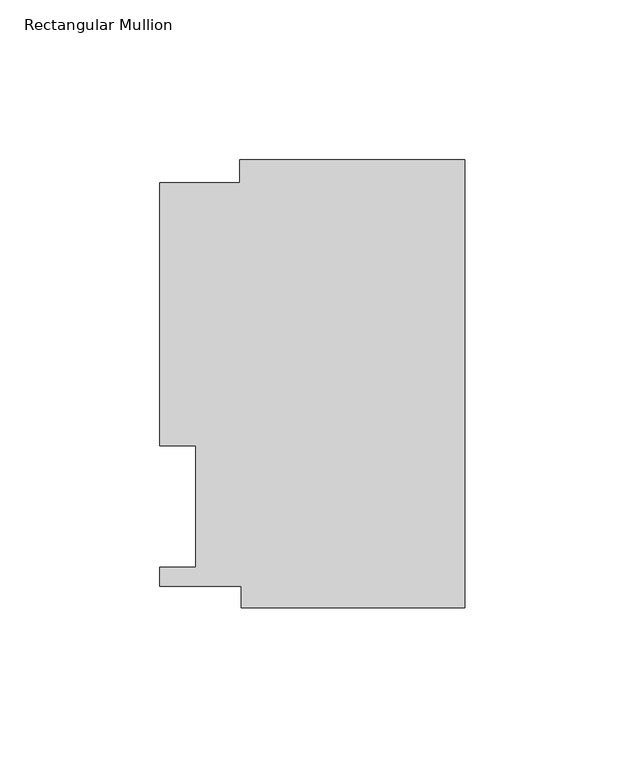
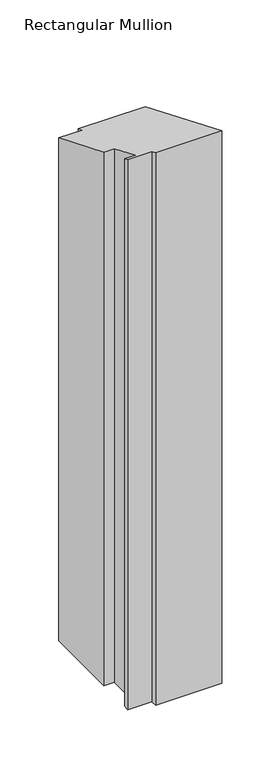
"""IFC4 building model written with IfcOpenShell, lengths in millimetres: member geometry, Rectangular Mullion."""

from ifc_helpers import new_model, si_unit, origin, place, context, project, spatial, faceted_brep, source, transform, mapped, element, save


def rectangular_mullion_087df5a7(model_context):
    return source(origin(), model_context, "Body", "Brep", [
        faceted_brep([(-70.3072, 133.731, -613.0734607), (0.0, 133.731, -613.0734607), (0.0, -6.2260979, -613.0734607), (-69.85, -6.2260979, -613.0734607), (-69.85, 0.4064, -613.0734607), (-95.25, 0.4064, -613.0734607), (-95.25, 6.35, -613.0734607), (-84.1375, 6.35, -613.0734607), (-84.1375, 44.45, -613.0734607), (-95.25, 44.45, -613.0734607), (-95.25, 126.619, -613.0734607), (-70.3072, 126.619, -613.0734607), (-70.3072, 126.619, -52.4473071), (-70.3072, 133.731, -55.3931939), (-95.25, 126.619, -52.4473071), (-95.25, 44.45, -18.4117928), (-84.1375, 44.45, -18.4117928), (-84.1375, 6.35, -2.6302561), (-95.25, 6.35, -2.6302561), (-95.25, 0.4064, -0.1683364), (-69.85, 0.4064, -0.1683364), (-69.85, -6.2260979, 2.5789342), (0.0, -6.2260979, 2.5789342), (0.0, 133.731, -55.3931939)], [[[0, 1, 2, 3, 4, 5, 6, 7, 8, 9, 10, 11]], [[12, 13, 0, 11]], [[14, 12, 11, 10]], [[15, 14, 10, 9]], [[16, 15, 9, 8]], [[17, 16, 8, 7]], [[18, 17, 7, 6]], [[19, 18, 6, 5]], [[20, 19, 5, 4]], [[21, 20, 4, 3]], [[22, 21, 3, 2]], [[23, 22, 2, 1]], [[13, 23, 1, 0]], [[13, 12, 14, 15, 16, 17, 18, 19, 20, 21, 22, 23]]]),
    ])


if __name__ == "__main__":
    model = new_model("IFC4")
    model_context = context("Model", 3, world=origin())
    ifc_project = project(units=[si_unit("LENGTHUNIT", "METRE", prefix="MILLI")], contexts=[model_context])
    site = spatial("IfcSite", under=ifc_project)
    building = spatial("IfcBuilding", under=site)
    placement = place(None, origin())
    rectangular_mullion_shape = rectangular_mullion_087df5a7(model_context)
    element("IfcMember", 1, ObjectType="Rectangular Mullion", at=placement, inside=building, context=model_context, shape_type="MappedRepresentation", body=[
        mapped(rectangular_mullion_shape, transform((0.0, 0.0, 0.0), x_axis=(1.0, 0.0, 0.0), y_axis=(0.0, 1.0, 0.0), z_axis=(0.0, 0.0, 1.0))),
    ])
    save(model, "model.ifc")
